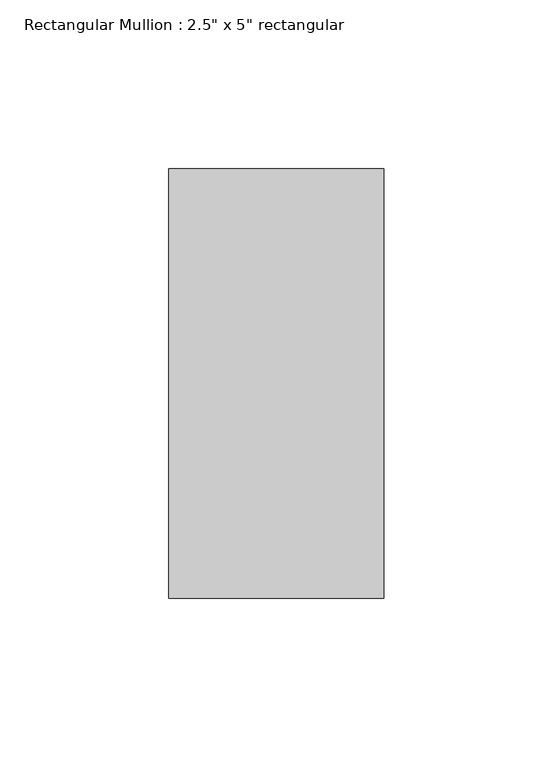
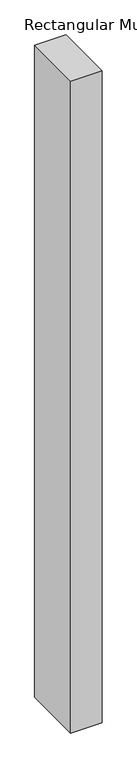
"""IFC4 building model written with IfcOpenShell, lengths in millimetres: member geometry."""

from ifc_helpers import new_model, si_unit, frame, origin, place, context, project, spatial, polyline, outline, extrude, source, transform, mapped, element, save


def member_8522b5d7(model_context):
    return source(origin(), model_context, "Body", "SweptSolid", [
        extrude(outline(polyline([(0.0, 63.5), (0.0, -63.5), (-63.5, -63.5), (-63.5, 63.5), (0.0, 63.5)])), frame((0.0, 0.0, -1401.2333336), z_axis=(0.0, 0.0, 1.0), x_axis=(1.0, 0.0, 0.0)), (0.0, 0.0, 1.0), 1401.2333336),
    ])


if __name__ == "__main__":
    model = new_model("IFC4")
    model_context = context("Model", 3, world=origin())
    ifc_project = project(units=[si_unit("LENGTHUNIT", "METRE", prefix="MILLI")], contexts=[model_context])
    site = spatial("IfcSite", under=ifc_project)
    building = spatial("IfcBuilding", under=site)
    placement = place(None, origin())
    member_shape = member_8522b5d7(model_context)
    element("IfcMember", 1, ObjectType="Rectangular Mullion : 2.5\" x 5\" rectangular", at=placement, inside=building, context=model_context, shape_type="MappedRepresentation", body=[
        mapped(member_shape, transform((0.0, 0.0, 0.0), x_axis=(1.0, 0.0, 0.0), y_axis=(0.0, 1.0, 0.0), z_axis=(0.0, 0.0, 1.0))),
    ])
    save(model, "model.ifc")
